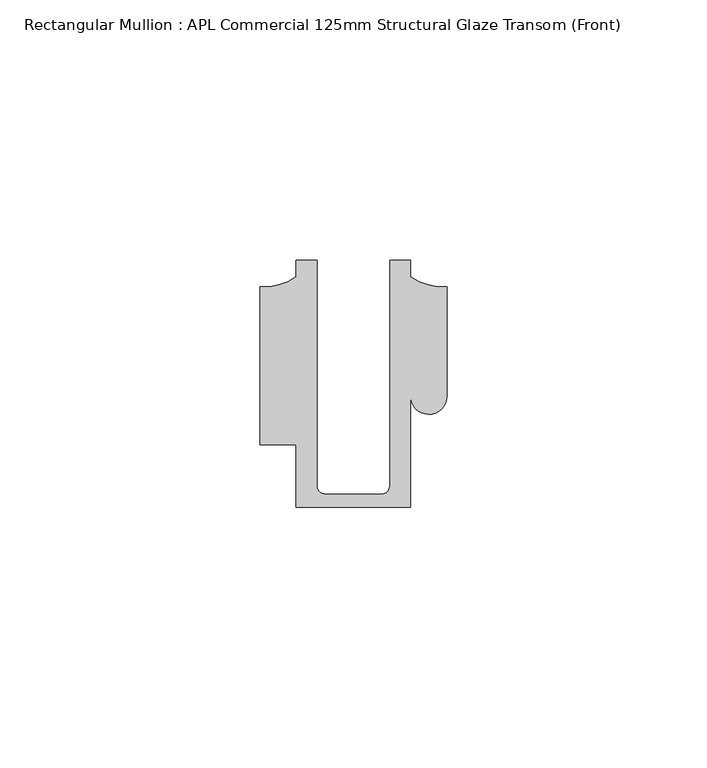
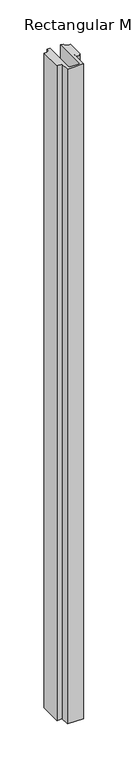
"""IFC4 building model written with IfcOpenShell, lengths in millimetres: member geometry, Rectangular Mullion : APL Commercial 125mm Structural Glaze Transom (Front)."""

from ifc_helpers import new_model, si_unit, frame, origin, place, context, project, spatial, polyline, circle_curve, source, transform, mapped, element, save
from ifc_brep_helpers import plane_surface, cylinder_surface, revolved_surface, advanced_brep


def rectangular_mullion_apl_commercial_125mm_structural_glaze_5f5bfd70(model_context):
    return source(origin(), model_context, "Body", "AdvancedBrep", [
        advanced_brep(
        [(-11.0000151, -27.0, 0.0), (11.001071, -27.0, 0.0), (11.001071, -5.5848769, 0.0), (17.9999091, -5.6750512, 0.0), (17.9999542, 15.3797475, 0.0), (11.0000151, 17.3125212, 0.0), (11.0000151, 20.5, 0.0), (6.9999849, 20.5, 0.0), (6.9999849, -22.9973451, 0.0), (5.4999872, -24.5, 0.0), (-5.4999873, -24.5, 0.0), (-6.9999853, -22.9976091, 0.0), (-6.9999853, 20.5, 0.0), (-10.9999994, 20.5, 0.0), (-10.9999994, 17.3125325, 0.0), (-17.9999542, 15.3797475, 0.0), (-17.9999542, -15.0006281, 0.0), (-11.0000151, -15.0006281, 0.0), (-11.0000151, -27.0, -944.29642), (-11.0000151, -15.0006281, -944.29642), (-17.9999542, -15.0006281, -944.29642), (-17.9999542, 15.3797475, -944.29642), (-10.9999994, 17.3125325, -944.29642), (-10.9999994, 20.5, -944.29642), (-6.9999853, 20.5, -944.29642), (-6.9999853, -22.9976091, -944.29642), (-5.4999873, -24.5, -944.29642), (5.4999872, -24.5, -944.29642), (6.9999849, -22.9973451, -944.29642), (6.9999849, 20.5, -944.29642), (11.0000151, 20.5, -944.29642), (11.0000151, 17.3125212, -944.29642), (17.9999542, 15.3797475, -944.29642), (17.9999542, -5.684606, -944.29642), (11.001071, -5.5848769, -944.29642), (11.001071, -27.0, -944.29642)],
        [
            (0, 1),
            (1, 2),
            (2, 3, circle_curve(frame((14.4999091, -5.6750512, 0.0), z_axis=(0.0, 0.0, 1.0), x_axis=(-0.9999826028573957, 0.005898642432633649, 0.0)), 3.5)),
            (3, 4),
            (4, 5, circle_curve(frame((17.109817, 25.7981812, 0.0), z_axis=(0.0, 0.0, -1.0), x_axis=(0.0, -1.0, 0.0)), 10.4563907)),
            (5, 6),
            (6, 7),
            (7, 8),
            (8, 9, circle_curve(frame((5.4999872, -23.0, 0.0), z_axis=(0.0, 0.0, -1.0), x_axis=(0.9999999999999986, 5.463622857820516e-08, 0.0)), 1.5)),
            (9, 10),
            (10, 11, circle_curve(frame((-5.4999873, -23.0, 0.0), z_axis=(0.0, 0.0, -1.0), x_axis=(2.7320010112268853e-08, -0.9999999999999997, 0.0)), 1.5)),
            (11, 12),
            (12, 13),
            (13, 14),
            (14, 15, circle_curve(frame((-17.109817, 25.7981812, 0.0), z_axis=(0.0, 0.0, -1.0), x_axis=(0.0, -1.0, 0.0)), 10.4563907)),
            (15, 16),
            (16, 17),
            (17, 0),
            (18, 19),
            (19, 20),
            (20, 21),
            (21, 22, circle_curve(frame((-17.109817, 25.7981812, -944.29642), z_axis=(0.0, 0.0, 1.0), x_axis=(0.0, -1.0, 0.0)), 10.4563907)),
            (22, 23),
            (23, 24),
            (24, 25),
            (25, 26, circle_curve(frame((-5.4999873, -23.0, -944.29642), z_axis=(0.0, 0.0, 1.0), x_axis=(2.7320010112268853e-08, -0.9999999999999997, 0.0)), 1.5)),
            (26, 27),
            (27, 28, circle_curve(frame((5.4999872, -23.0, -944.29642), z_axis=(0.0, 0.0, 1.0), x_axis=(0.9999999999999986, 5.463622857820516e-08, 0.0)), 1.5)),
            (28, 29),
            (29, 30),
            (30, 31),
            (31, 32, circle_curve(frame((17.109817, 25.7981812, -944.29642), z_axis=(0.0, 0.0, 1.0), x_axis=(0.0, -1.0, 0.0)), 10.4563907)),
            (32, 33),
            (33, 34, circle_curve(frame((14.4999091, -5.6750512, -944.29642), z_axis=(0.0, 0.0, -1.0), x_axis=(-0.9999826028573957, 0.005898642432633649, 0.0)), 3.5)),
            (34, 35),
            (35, 18),
            (0, 18),
            (35, 1),
            (34, 2),
            (33, 3),
            (32, 4),
            (31, 5),
            (30, 6),
            (29, 7),
            (28, 8),
            (27, 9),
            (26, 10),
            (25, 11),
            (24, 12),
            (23, 13),
            (22, 14),
            (21, 15),
            (20, 16),
            (19, 17),
        ],
        [
            plane_surface(frame((0.0, -29.1551636, 0.0), z_axis=(0.0, 0.0, 1.0), x_axis=(-1.0, 0.0, 0.0))),
            plane_surface(frame((0.0, -29.1551636, -944.29642), z_axis=(0.0, 0.0, -1.0), x_axis=(-1.0, 0.0, 0.0))),
            plane_surface(frame((-11.0000151, -27.0, 0.0), z_axis=(0.0, -1.0, 0.0), x_axis=(0.0, 0.0, -1.0))),
            plane_surface(frame((11.001071, -27.0, 0.0), z_axis=(1.0, 0.0, 0.0), x_axis=(0.0, 0.0, -1.0))),
            cylinder_surface(frame((14.4999091, -5.6750512, 0.0), z_axis=(0.0, 0.0, 1.0), x_axis=(-0.9999826028573957, 0.005898642432633649, 0.0)), 3.5),
            plane_surface(frame((17.9999542, -5.684606, 0.0), z_axis=(1.0, 0.0, 0.0), x_axis=(0.0, 0.0, -1.0))),
            revolved_surface(polyline([(17.109817, 15.341790499999998, -944.29642), (17.109817, 15.341790499999998, 0.0)]), (17.109817, 25.7981812, 0.0), (0.0, 0.0, -1.0)),
            plane_surface(frame((11.0000151, 17.3125212, 0.0), z_axis=(1.0, 0.0, 0.0), x_axis=(0.0, 0.0, -1.0))),
            plane_surface(frame((11.0000151, 20.5, 0.0), z_axis=(0.0, 1.0, 0.0), x_axis=(0.0, 0.0, -1.0))),
            plane_surface(frame((6.9999849, 20.5, 0.0), z_axis=(-1.0, 0.0, 0.0), x_axis=(0.0, 0.0, -1.0))),
            revolved_surface(polyline([(6.999987199999998, -22.999999918045656, -944.29642), (6.999987199999998, -22.999999918045656, 0.0)]), (5.4999872, -23.0, 0.0), (0.0, 0.0, -1.0)),
            plane_surface(frame((5.4999872, -24.5, 0.0), z_axis=(0.0, 1.0, 0.0), x_axis=(0.0, 0.0, -1.0))),
            revolved_surface(polyline([(-5.499987259019985, -24.5, -944.29642), (-5.499987259019985, -24.5, 0.0)]), (-5.4999873, -23.0, 0.0), (0.0, 0.0, -1.0)),
            plane_surface(frame((-6.9999853, -22.9976091, 0.0), z_axis=(1.0, 0.0, 0.0), x_axis=(0.0, 0.0, -1.0))),
            plane_surface(frame((-6.9999853, 20.5, 0.0), z_axis=(0.0, 1.0, 0.0), x_axis=(0.0, 0.0, -1.0))),
            plane_surface(frame((-10.9999994, 20.5, 0.0), z_axis=(-1.0, 0.0, 0.0), x_axis=(0.0, 0.0, -1.0))),
            revolved_surface(polyline([(-17.109817, 15.341790499999998, -944.29642), (-17.109817, 15.341790499999998, 0.0)]), (-17.109817, 25.7981812, 0.0), (0.0, 0.0, -1.0)),
            plane_surface(frame((-17.9999542, 15.3797475, 0.0), z_axis=(-1.0, 0.0, 0.0), x_axis=(0.0, 0.0, -1.0))),
            plane_surface(frame((-17.9999542, -15.0006281, 0.0), z_axis=(0.0, -1.0, 0.0), x_axis=(0.0, 0.0, -1.0))),
            plane_surface(frame((-11.0000151, -15.0006281, 0.0), z_axis=(-1.0, 0.0, 0.0), x_axis=(0.0, 0.0, -1.0))),
        ],
        [
            (0, [[1, 2, 3, 4, 5, 6, 7, 8, 9, 10, 11, 12, 13, 14, 15, 16, 17, 18]]),
            (1, [[19, 20, 21, 22, 23, 24, 25, 26, 27, 28, 29, 30, 31, 32, 33, 34, 35, 36]]),
            (2, [[-1, 37, -36, 38]]),
            (3, [[-2, -38, -35, 39]]),
            (4, [[-3, -39, -34, 40]]),
            (5, [[-4, -40, -33, 41]]),
            (6, [[-5, -41, -32, 42]]),
            (7, [[-6, -42, -31, 43]]),
            (8, [[-7, -43, -30, 44]]),
            (9, [[-8, -44, -29, 45]]),
            (10, [[-9, -45, -28, 46]]),
            (11, [[-10, -46, -27, 47]]),
            (12, [[-11, -47, -26, 48]]),
            (13, [[-12, -48, -25, 49]]),
            (14, [[-13, -49, -24, 50]]),
            (15, [[-14, -50, -23, 51]]),
            (16, [[-15, -51, -22, 52]]),
            (17, [[-16, -52, -21, 53]]),
            (18, [[-17, -53, -20, 54]]),
            (19, [[-18, -54, -19, -37]]),
        ],
    ),
    ])


if __name__ == "__main__":
    model = new_model("IFC4")
    model_context = context("Model", 3, world=origin())
    ifc_project = project(units=[si_unit("LENGTHUNIT", "METRE", prefix="MILLI")], contexts=[model_context])
    site = spatial("IfcSite", under=ifc_project)
    building = spatial("IfcBuilding", under=site)
    placement = place(None, origin())
    rectangular_mullion_apl_commercial_125mm_structural_glaze_shape = rectangular_mullion_apl_commercial_125mm_structural_glaze_5f5bfd70(model_context)
    element("IfcMember", 1, ObjectType="Rectangular Mullion : APL Commercial 125mm Structural Glaze Transom (Front)", at=placement, inside=building, context=model_context, shape_type="MappedRepresentation", body=[
        mapped(rectangular_mullion_apl_commercial_125mm_structural_glaze_shape, transform((0.0, 0.0, 0.0), x_axis=(1.0, 0.0, 0.0), y_axis=(0.0, 1.0, 0.0), z_axis=(0.0, 0.0, 1.0))),
    ])
    save(model, "model.ifc")
